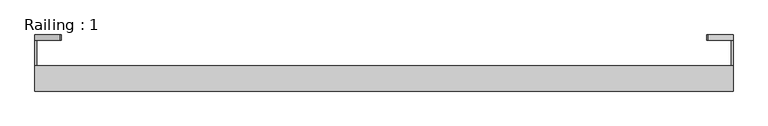
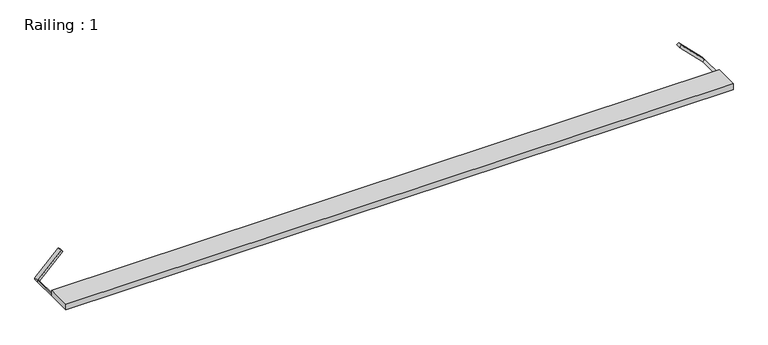
"""IFC4 building model written with IfcOpenShell, lengths in millimetres: proxy geometry, Railing : 1."""

from ifc_helpers import new_model, si_unit, point, frame, frame_2d, origin, origin_with_axes, place, context, project, spatial, polyline, circle_curve, trimmed, segment, composite_curve, outline, extrude, source, transform, mapped, element, save


def railing_1_144d05b1(model_context):
    return source(origin(), model_context, "Body", "SweptSolid", [
        extrude(outline(polyline([(1369.2209151, -148.3559767), (1369.2209151, -248.3559767), (-1369.2209151, -248.3559767), (-1369.2209151, -148.3559767), (1369.2209151, -148.3559767)])), origin_with_axes(), (0.0, 0.0, 1.0), 25.0),
        extrude(outline(composite_curve([segment(polyline([(0.0, 1369.2209151), (7.0710678, 1369.2209151)]), True, "CONTINUOUS"), segment(trimmed(circle_curve(frame_2d((0.0, 1369.2209151)), 7.0710678), [point((7.0710678, 1369.2209151))], [point((0.0, 1362.1498473))], False, "CARTESIAN"), True, "CONTINUOUS"), segment(polyline([(0.0, 1362.1498473), (0.0, 1369.2209151)]), True, "CONTINUOUS")], self_intersect=False)), frame((0.0, -148.3559767, 0.0), z_axis=(0.0, 1.0, 0.0), x_axis=(0.0, 0.0, 1.0)), (0.0, 0.0, 1.0), 100.0),
        extrude(outline(composite_curve([segment(polyline([(0.0, -1369.2209151), (0.0, -1362.1498473)]), True, "CONTINUOUS"), segment(trimmed(circle_curve(frame_2d((0.0, -1369.2209151)), 7.0710678), [point((0.0, -1362.1498473))], [point((7.0710678, -1369.2209151))], False, "CARTESIAN"), True, "CONTINUOUS"), segment(polyline([(7.0710678, -1369.2209151), (0.0, -1369.2209151)]), True, "CONTINUOUS")], self_intersect=False)), frame((0.0, -148.3559767, 0.0), z_axis=(0.0, 1.0, 0.0), x_axis=(0.0, 0.0, 1.0)), (0.0, 0.0, 1.0), 100.0),
        extrude(outline(polyline([(103.5355339, 1272.756449), (96.4644661, 1265.6853812), (0.0, 1362.1498473), (0.0, 1369.2209151), (7.0710678, 1369.2209151), (103.5355339, 1272.756449)])), frame((0.0, -48.3559767, 0.0), z_axis=(0.0, 1.0, 0.0), x_axis=(0.0, 0.0, 1.0)), (0.0, 0.0, 1.0), 20.0),
        extrude(outline(polyline([(0.0, -1369.2209151), (0.0, -1362.1498473), (96.4644661, -1265.6853812), (103.5355339, -1272.756449), (7.0710678, -1369.2209151), (0.0, -1369.2209151)])), frame((0.0, -48.3559767, 0.0), z_axis=(0.0, 1.0, 0.0), x_axis=(0.0, 0.0, 1.0)), (0.0, 0.0, 1.0), 20.0),
    ])


if __name__ == "__main__":
    model = new_model("IFC4")
    model_context = context("Model", 3, world=origin())
    ifc_project = project(units=[si_unit("LENGTHUNIT", "METRE", prefix="MILLI")], contexts=[model_context])
    site = spatial("IfcSite", under=ifc_project)
    building = spatial("IfcBuilding", under=site)
    placement = place(None, origin())
    railing_1_shape = railing_1_144d05b1(model_context)
    element("IfcBuildingElementProxy", 1, Name="Railing : 1", ObjectType="Railing : 1", at=placement, inside=building, context=model_context, shape_type="MappedRepresentation", body=[
        mapped(railing_1_shape, transform((0.0, 0.0, 0.0), x_axis=(1.0, 0.0, 0.0), y_axis=(0.0, 1.0, 0.0), z_axis=(0.0, 0.0, 1.0))),
    ])
    save(model, "model.ifc")
